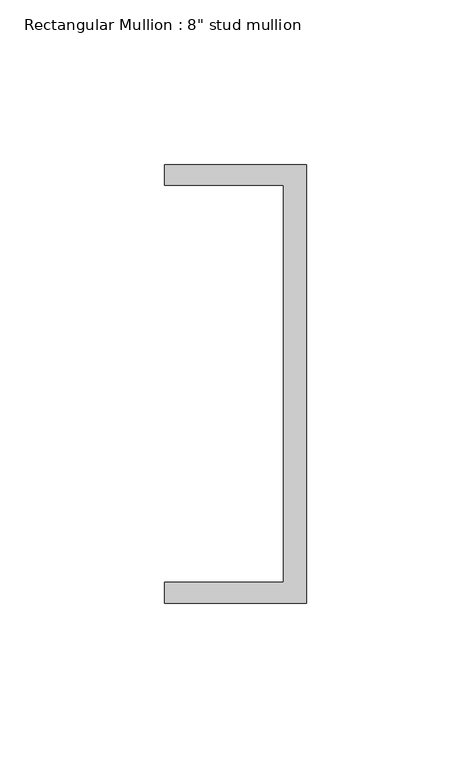
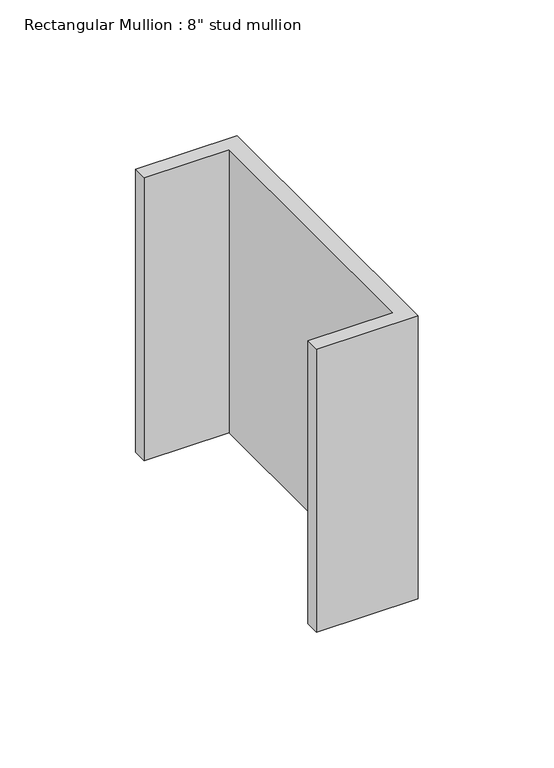
"""IFC4 building model written with IfcOpenShell, lengths in millimetres: member geometry."""

from ifc_helpers import new_model, si_unit, frame, origin, place, context, project, spatial, polyline, outline, extrude, source, transform, mapped, element, save


def member_aebbf3ec(model_context):
    return source(origin(), model_context, "Body", "SweptSolid", [
        extrude(outline(polyline([(0.0, 135.2608739), (0.0, 1.9108739), (-43.2224547, 1.9108739), (-43.2224547, 8.2608739), (-7.0438577, 8.2608739), (-7.0438577, 128.9108739), (-43.2224547, 128.9108739), (-43.2224547, 135.2608739), (0.0, 135.2608739)])), frame((0.0, 0.0, -127.2442082), z_axis=(0.0, 0.0, 1.0), x_axis=(1.0, 0.0, 0.0)), (0.0, 0.0, 1.0), 127.2442082),
    ])


if __name__ == "__main__":
    model = new_model("IFC4")
    model_context = context("Model", 3, world=origin())
    ifc_project = project(units=[si_unit("LENGTHUNIT", "METRE", prefix="MILLI")], contexts=[model_context])
    site = spatial("IfcSite", under=ifc_project)
    building = spatial("IfcBuilding", under=site)
    placement = place(None, origin())
    member_shape = member_aebbf3ec(model_context)
    element("IfcMember", 1, ObjectType="Rectangular Mullion : 8\" stud mullion", at=placement, inside=building, context=model_context, shape_type="MappedRepresentation", body=[
        mapped(member_shape, transform((0.0, 0.0, 0.0), x_axis=(1.0, 0.0, 0.0), y_axis=(0.0, 1.0, 0.0), z_axis=(0.0, 0.0, 1.0))),
    ])
    save(model, "model.ifc")
